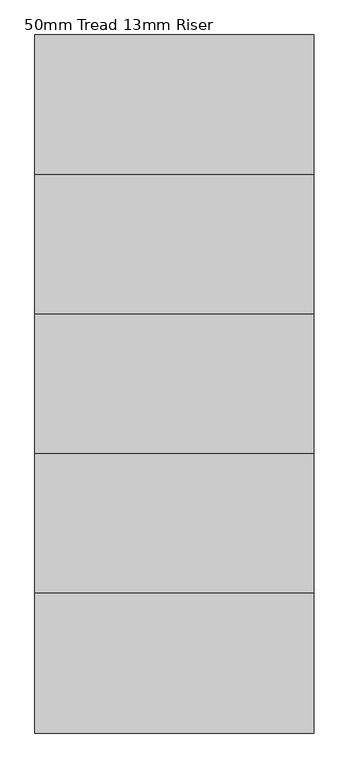
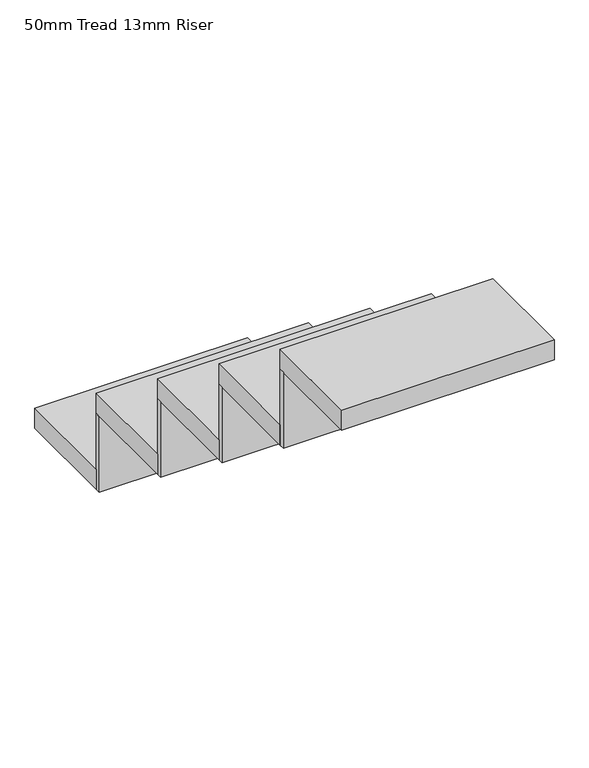
"""IFC4 building model written with IfcOpenShell, lengths in millimetres: stair flight geometry, 50mm Tread 13mm Riser."""

import ifcopenshell
import ifcopenshell.guid

model = None  # the IFC model being written
_history = None  # IfcOwnerHistory: only IFC2X3 demands one
_inside = {}  # id of a spatial element -> (the spatial element, [elements in it])
_under = {}  # id of a project, library or spatial element -> (it, [spatial elements below it])
_declared = {}  # id of a project -> (the project, [libraries it declares])
_typed = {}  # id of a type object -> (the type object, [elements of that type])
_made_of = {}  # id of a material, layer set ... -> (it, [elements and type objects made of it])


def new_model(schema):
    """Start an empty IFC model of exactly this schema.

    Asked for "IFC4X3", IfcOpenShell would pick the latest addendum, in which some entities
    have other attributes; the version numbers below select the first issue.
    IFC2X3 requires an IfcOwnerHistory on every rooted entity: one is made here for all.
    """
    global model, _history
    if schema == "IFC4X3":
        model = ifcopenshell.file(schema_version=(4, 3, 0, 0))
    else:
        model = ifcopenshell.file(schema=schema)
    _inside.clear()
    _under.clear()
    _declared.clear()
    _typed.clear()
    _made_of.clear()
    _history = None
    if model.schema == "IFC2X3":
        org = make("IfcOrganization", Name="unknown")
        user = make(
            "IfcPersonAndOrganization",
            ThePerson=make("IfcPerson", FamilyName="unknown"),
            TheOrganization=org,
        )
        app = make(
            "IfcApplication",
            ApplicationDeveloper=org,
            Version="unknown",
            ApplicationFullName="unknown",
            ApplicationIdentifier="unknown",
        )
        _history = make(
            "IfcOwnerHistory",
            OwningUser=user,
            OwningApplication=app,
            ChangeAction="ADDED",
            CreationDate=0,
        )
    return model


def make(cls, **values):
    """One entity of the class cls with the attributes given. An attribute that is None is left unset."""
    return model.create_entity(
        cls, **{name: value for name, value in values.items() if value is not None}
    )


def rooted(cls, **values):
    """An entity with a GlobalId (a new one), such as an element, a storey or a relation."""
    return make(cls, GlobalId=ifcopenshell.guid.new(), OwnerHistory=_history, **values)


def si_unit(unit_type, name, prefix=None):
    """IfcSIUnit, for example si_unit("LENGTHUNIT", "METRE", prefix="MILLI")."""
    return make("IfcSIUnit", UnitType=unit_type, Prefix=prefix, Name=name)


def assignment(units):
    """IfcUnitAssignment: the units of a project."""
    return None if units is None else make("IfcUnitAssignment", Units=units)


def point(xyz):
    """IfcCartesianPoint."""
    return None if xyz is None else make("IfcCartesianPoint", Coordinates=xyz)


def direction(xyz):
    """IfcDirection."""
    return None if xyz is None else make("IfcDirection", DirectionRatios=xyz)


def frame(location, z_axis=None, x_axis=None):
    """IfcAxis2Placement3D, a coordinate frame: its origin and axes. An axis left out is left unset."""
    return make(
        "IfcAxis2Placement3D",
        Location=point(location),
        Axis=direction(z_axis),
        RefDirection=direction(x_axis),
    )


def origin():
    """The frame at (0, 0, 0) with its axes left unset."""
    return frame((0.0, 0.0, 0.0))


def place(relative_to, where):
    """IfcLocalPlacement: puts the frame where relative to a parent placement (None: the world)."""
    return make(
        "IfcLocalPlacement", PlacementRelTo=relative_to, RelativePlacement=where
    )


def context(
    kind, dimensions, precision=None, world=None, true_north=None, identifier=None
):
    """IfcGeometricRepresentationContext, for example the 3D "Model" context."""
    return make(
        "IfcGeometricRepresentationContext",
        ContextIdentifier=identifier,
        ContextType=kind,
        CoordinateSpaceDimension=dimensions,
        Precision=precision,
        WorldCoordinateSystem=world,
        TrueNorth=true_north,
    )


def project(units=None, contexts=None):
    """IfcProject with its units and contexts."""
    return rooted(
        "IfcProject",
        Name="project",
        RepresentationContexts=contexts,
        UnitsInContext=assignment(units),
    )


def spatial(cls, under=None, at=None, **own):
    """A site, building, storey or space (cls), placed at a placement, below another one or the project."""
    s = rooted(cls, ObjectPlacement=at, **own)
    if under is not None:
        _under.setdefault(under.id(), (under, []))[1].append(s)
    return s


def polyline(points):
    """IfcPolyline through the points."""
    return make("IfcPolyline", Points=[point(p) for p in points])


def outline(outer, holes=None, kind="AREA"):
    """IfcArbitraryClosedProfileDef: a profile drawn as a closed curve; with holes, ...WithVoids."""
    if holes is None:
        return make("IfcArbitraryClosedProfileDef", ProfileType=kind, OuterCurve=outer)
    return make(
        "IfcArbitraryProfileDefWithVoids",
        ProfileType=kind,
        OuterCurve=outer,
        InnerCurves=holes,
    )


def extrude(swept, where, along, depth):
    """IfcExtrudedAreaSolid: the profile swept, set in the frame where, extruded along a direction by depth."""
    return make(
        "IfcExtrudedAreaSolid",
        SweptArea=swept,
        Position=where,
        ExtrudedDirection=direction(along),
        Depth=depth,
    )


def shape(context_of_items, identifier, shape_type, items):
    """IfcShapeRepresentation: the items that make up one representation, for example the "Body"."""
    return make(
        "IfcShapeRepresentation",
        ContextOfItems=context_of_items,
        RepresentationIdentifier=identifier,
        RepresentationType=shape_type,
        Items=items,
    )


def source(mapping_origin, context_of_items, identifier, shape_type, items):
    """IfcRepresentationMap: a shape defined once, which mapped items show again and again."""
    return make(
        "IfcRepresentationMap",
        MappingOrigin=mapping_origin,
        MappedRepresentation=shape(context_of_items, identifier, shape_type, items),
    )


def transform(
    local_origin,
    x_axis=None,
    y_axis=None,
    z_axis=None,
    scale=None,
    scale2=None,
    scale3=None,
    uniform=True,
):
    """IfcCartesianTransformationOperator3D, or its non-uniform kind. x_axis, y_axis, z_axis: its Axis1, 2, 3."""
    if uniform:
        return make(
            "IfcCartesianTransformationOperator3D",
            Axis1=direction(x_axis),
            Axis2=direction(y_axis),
            LocalOrigin=point(local_origin),
            Scale=scale,
            Axis3=direction(z_axis),
        )
    return make(
        "IfcCartesianTransformationOperator3DnonUniform",
        Axis1=direction(x_axis),
        Axis2=direction(y_axis),
        LocalOrigin=point(local_origin),
        Scale=scale,
        Axis3=direction(z_axis),
        Scale2=scale2,
        Scale3=scale3,
    )


def mapped(mapping_source, mapping_target):
    """IfcMappedItem: shows the shape of a source again, moved by a transform."""
    return make(
        "IfcMappedItem", MappingSource=mapping_source, MappingTarget=mapping_target
    )


def made_of(thing, what):
    """Note that an element or type object is made of a material, layer set ...; save() writes the relation."""
    if what is not None:
        _made_of.setdefault(what.id(), (what, []))[1].append(thing)
    return thing


def element(
    cls,
    number,
    at=None,
    inside=None,
    cuts=None,
    type_object=None,
    material=None,
    context=None,
    identifier="Body",
    shape_type=None,
    held_by="IfcProductDefinitionShape",
    body=None,
    shapes=None,
    **own,
):
    """One element of the class cls, such as IfcWall. Its Tag is "e" and its number.

    at: its placement. inside: the storey or other place that contains it. cuts: it is an
    opening in that element (IfcRelVoidsElement). A single representation is given by context,
    identifier, shape_type and body (its items); several are given by shapes. held_by: the class
    of the entity that holds the representations. save() writes the other relations.
    """
    e = rooted(cls, Tag="e%d" % number, ObjectPlacement=at, **own)
    if body is not None:
        shapes = [shape(context, identifier, shape_type, body)]
    if shapes is not None:
        e.Representation = make(held_by, Representations=shapes)
    if inside is not None:
        _inside.setdefault(inside.id(), (inside, []))[1].append(e)
    if cuts is not None:
        rooted(
            "IfcRelVoidsElement", RelatingBuildingElement=cuts, RelatedOpeningElement=e
        )
    if type_object is not None:
        _typed.setdefault(type_object.id(), (type_object, []))[1].append(e)
    return made_of(e, material)


def aggregate(whole, parts):
    """IfcRelAggregates: a whole, such as a stair, and the parts it consists of."""
    return rooted("IfcRelAggregates", RelatingObject=whole, RelatedObjects=parts)


def save(model, path):
    """Write the relations noted so far, then the file.

    IfcRelAggregates (storeys below a building ...), IfcRelContainedInSpatialStructure (elements
    in a storey), IfcRelDefinesByType, IfcRelAssociatesMaterial and IfcRelDeclares: one each for
    every whole, place, type object, material and project.
    """
    for whole, parts in _under.values():
        aggregate(whole, parts)
    for where, things in _inside.values():
        rooted(
            "IfcRelContainedInSpatialStructure",
            RelatedElements=things,
            RelatingStructure=where,
        )
    for kind, things in _typed.values():
        rooted("IfcRelDefinesByType", RelatedObjects=things, RelatingType=kind)
    for what, things in _made_of.values():
        rooted("IfcRelAssociatesMaterial", RelatedObjects=things, RelatingMaterial=what)
    for by, libraries in _declared.values():
        rooted("IfcRelDeclares", RelatingContext=by, RelatedDefinitions=libraries)
    model.write(path)


def stair_flight_50mm_tread_13mm_riser_d7d6402f(model_context):
    return source(origin(), model_context, "Body", "SweptSolid", [
        extrude(outline(polyline([(-2347.6371481, 3137.200286), (-2847.6371481, 3137.200286), (-2847.6371481, 3387.200286), (-2347.6371481, 3387.200286), (-2347.6371481, 3137.200286)])), frame((0.0, 0.0, -1350.0), z_axis=(0.0, 0.0, 1.0), x_axis=(1.0, 0.0, 0.0)), (0.0, 0.0, 1.0), 50.0),
        extrude(outline(polyline([(-2847.6371481, 3124.700286), (-2847.6371481, 3137.200286), (-2347.6371481, 3137.200286), (-2347.6371481, 3124.700286), (-2847.6371481, 3124.700286)])), frame((0.0, 0.0, -1350.0), z_axis=(0.0, 0.0, 1.0), x_axis=(1.0, 0.0, 0.0)), (0.0, 0.0, 1.0), 188.0952381),
        extrude(outline(polyline([(-2347.6371481, 2887.200286), (-2847.6371481, 2887.200286), (-2847.6371481, 3137.200286), (-2347.6371481, 3137.200286), (-2347.6371481, 2887.200286)])), frame((0.0, 0.0, -1161.9047619), z_axis=(0.0, 0.0, 1.0), x_axis=(1.0, 0.0, 0.0)), (0.0, 0.0, 1.0), 50.0),
        extrude(outline(polyline([(-2847.6371481, 2874.700286), (-2847.6371481, 2887.200286), (-2347.6371481, 2887.200286), (-2347.6371481, 2874.700286), (-2847.6371481, 2874.700286)])), frame((0.0, 0.0, -1161.9047619), z_axis=(0.0, 0.0, 1.0), x_axis=(1.0, 0.0, 0.0)), (0.0, 0.0, 1.0), 188.0952381),
        extrude(outline(polyline([(-2347.6371481, 2637.200286), (-2847.6371481, 2637.200286), (-2847.6371481, 2887.200286), (-2347.6371481, 2887.200286), (-2347.6371481, 2637.200286)])), frame((0.0, 0.0, -973.8095238), z_axis=(0.0, 0.0, 1.0), x_axis=(1.0, 0.0, 0.0)), (0.0, 0.0, 1.0), 50.0),
        extrude(outline(polyline([(-2847.6371481, 2624.700286), (-2847.6371481, 2637.200286), (-2347.6371481, 2637.200286), (-2347.6371481, 2624.700286), (-2847.6371481, 2624.700286)])), frame((0.0, 0.0, -973.8095238), z_axis=(0.0, 0.0, 1.0), x_axis=(1.0, 0.0, 0.0)), (0.0, 0.0, 1.0), 188.0952381),
        extrude(outline(polyline([(-2347.6371481, 2387.200286), (-2847.6371481, 2387.200286), (-2847.6371481, 2637.200286), (-2347.6371481, 2637.200286), (-2347.6371481, 2387.200286)])), frame((0.0, 0.0, -785.7142857), z_axis=(0.0, 0.0, 1.0), x_axis=(1.0, 0.0, 0.0)), (0.0, 0.0, 1.0), 50.0),
        extrude(outline(polyline([(-2847.6371481, 2374.700286), (-2847.6371481, 2387.200286), (-2347.6371481, 2387.200286), (-2347.6371481, 2374.700286), (-2847.6371481, 2374.700286)])), frame((0.0, 0.0, -785.7142857), z_axis=(0.0, 0.0, 1.0), x_axis=(1.0, 0.0, 0.0)), (0.0, 0.0, 1.0), 188.0952381),
        extrude(outline(polyline([(-2347.6371481, 2137.200286), (-2847.6371481, 2137.200286), (-2847.6371481, 2387.200286), (-2347.6371481, 2387.200286), (-2347.6371481, 2137.200286)])), frame((0.0, 0.0, -597.6190476), z_axis=(0.0, 0.0, 1.0), x_axis=(1.0, 0.0, 0.0)), (0.0, 0.0, 1.0), 50.0),
    ])


if __name__ == "__main__":
    model = new_model("IFC4")
    model_context = context("Model", 3, world=origin())
    ifc_project = project(units=[si_unit("LENGTHUNIT", "METRE", prefix="MILLI")], contexts=[model_context])
    site = spatial("IfcSite", under=ifc_project)
    building = spatial("IfcBuilding", under=site)
    placement = place(None, origin())
    stair_flight_50mm_tread_13mm_riser_shape = stair_flight_50mm_tread_13mm_riser_d7d6402f(model_context)
    element("IfcStairFlight", 1, ObjectType="50mm Tread 13mm Riser", at=placement, inside=building, context=model_context, shape_type="MappedRepresentation", body=[
        mapped(stair_flight_50mm_tread_13mm_riser_shape, transform((0.0, 0.0, 0.0), x_axis=(1.0, 0.0, 0.0), y_axis=(0.0, 1.0, 0.0), z_axis=(0.0, 0.0, 1.0))),
    ])
    save(model, "model.ifc")
